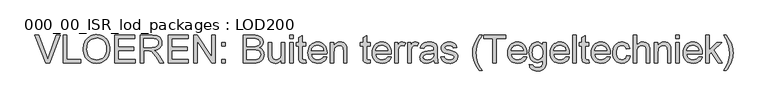
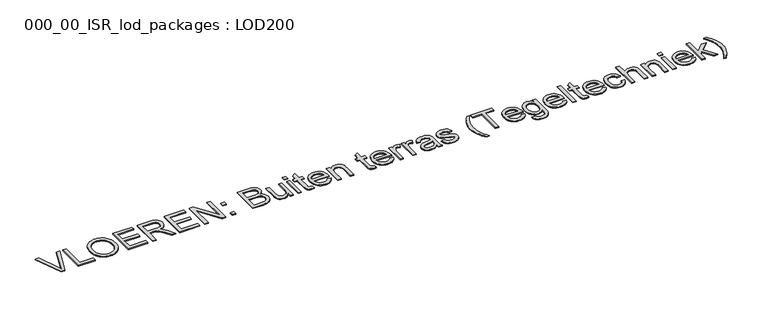
"""IFC4 building model written with IfcOpenShell, lengths in millimetres: proxy geometry, 000_00_ISR_lod_packages : LOD200."""

import ifcopenshell
import ifcopenshell.guid

model = None  # the IFC model being written
_history = None  # IfcOwnerHistory: only IFC2X3 demands one
_inside = {}  # id of a spatial element -> (the spatial element, [elements in it])
_under = {}  # id of a project, library or spatial element -> (it, [spatial elements below it])
_declared = {}  # id of a project -> (the project, [libraries it declares])
_typed = {}  # id of a type object -> (the type object, [elements of that type])
_made_of = {}  # id of a material, layer set ... -> (it, [elements and type objects made of it])


def new_model(schema):
    """Start an empty IFC model of exactly this schema.

    Asked for "IFC4X3", IfcOpenShell would pick the latest addendum, in which some entities
    have other attributes; the version numbers below select the first issue.
    IFC2X3 requires an IfcOwnerHistory on every rooted entity: one is made here for all.
    """
    global model, _history
    if schema == "IFC4X3":
        model = ifcopenshell.file(schema_version=(4, 3, 0, 0))
    else:
        model = ifcopenshell.file(schema=schema)
    _inside.clear()
    _under.clear()
    _declared.clear()
    _typed.clear()
    _made_of.clear()
    _history = None
    if model.schema == "IFC2X3":
        org = make("IfcOrganization", Name="unknown")
        user = make(
            "IfcPersonAndOrganization",
            ThePerson=make("IfcPerson", FamilyName="unknown"),
            TheOrganization=org,
        )
        app = make(
            "IfcApplication",
            ApplicationDeveloper=org,
            Version="unknown",
            ApplicationFullName="unknown",
            ApplicationIdentifier="unknown",
        )
        _history = make(
            "IfcOwnerHistory",
            OwningUser=user,
            OwningApplication=app,
            ChangeAction="ADDED",
            CreationDate=0,
        )
    return model


def make(cls, **values):
    """One entity of the class cls with the attributes given. An attribute that is None is left unset."""
    return model.create_entity(
        cls, **{name: value for name, value in values.items() if value is not None}
    )


def rooted(cls, **values):
    """An entity with a GlobalId (a new one), such as an element, a storey or a relation."""
    return make(cls, GlobalId=ifcopenshell.guid.new(), OwnerHistory=_history, **values)


def si_unit(unit_type, name, prefix=None):
    """IfcSIUnit, for example si_unit("LENGTHUNIT", "METRE", prefix="MILLI")."""
    return make("IfcSIUnit", UnitType=unit_type, Prefix=prefix, Name=name)


def assignment(units):
    """IfcUnitAssignment: the units of a project."""
    return None if units is None else make("IfcUnitAssignment", Units=units)


def point(xyz):
    """IfcCartesianPoint."""
    return None if xyz is None else make("IfcCartesianPoint", Coordinates=xyz)


def direction(xyz):
    """IfcDirection."""
    return None if xyz is None else make("IfcDirection", DirectionRatios=xyz)


def frame(location, z_axis=None, x_axis=None):
    """IfcAxis2Placement3D, a coordinate frame: its origin and axes. An axis left out is left unset."""
    return make(
        "IfcAxis2Placement3D",
        Location=point(location),
        Axis=direction(z_axis),
        RefDirection=direction(x_axis),
    )


def origin():
    """The frame at (0, 0, 0) with its axes left unset."""
    return frame((0.0, 0.0, 0.0))


def origin_with_axes():
    """The frame at (0, 0, 0) with the z axis (0, 0, 1) and the x axis (1, 0, 0) written out."""
    return frame((0.0, 0.0, 0.0), z_axis=(0.0, 0.0, 1.0), x_axis=(1.0, 0.0, 0.0))


def place(relative_to, where):
    """IfcLocalPlacement: puts the frame where relative to a parent placement (None: the world)."""
    return make(
        "IfcLocalPlacement", PlacementRelTo=relative_to, RelativePlacement=where
    )


def context(
    kind, dimensions, precision=None, world=None, true_north=None, identifier=None
):
    """IfcGeometricRepresentationContext, for example the 3D "Model" context."""
    return make(
        "IfcGeometricRepresentationContext",
        ContextIdentifier=identifier,
        ContextType=kind,
        CoordinateSpaceDimension=dimensions,
        Precision=precision,
        WorldCoordinateSystem=world,
        TrueNorth=true_north,
    )


def project(units=None, contexts=None):
    """IfcProject with its units and contexts."""
    return rooted(
        "IfcProject",
        Name="project",
        RepresentationContexts=contexts,
        UnitsInContext=assignment(units),
    )


def spatial(cls, under=None, at=None, **own):
    """A site, building, storey or space (cls), placed at a placement, below another one or the project."""
    s = rooted(cls, ObjectPlacement=at, **own)
    if under is not None:
        _under.setdefault(under.id(), (under, []))[1].append(s)
    return s


def polyline(points):
    """IfcPolyline through the points."""
    return make("IfcPolyline", Points=[point(p) for p in points])


def outline(outer, holes=None, kind="AREA"):
    """IfcArbitraryClosedProfileDef: a profile drawn as a closed curve; with holes, ...WithVoids."""
    if holes is None:
        return make("IfcArbitraryClosedProfileDef", ProfileType=kind, OuterCurve=outer)
    return make(
        "IfcArbitraryProfileDefWithVoids",
        ProfileType=kind,
        OuterCurve=outer,
        InnerCurves=holes,
    )


def extrude(swept, where, along, depth):
    """IfcExtrudedAreaSolid: the profile swept, set in the frame where, extruded along a direction by depth."""
    return make(
        "IfcExtrudedAreaSolid",
        SweptArea=swept,
        Position=where,
        ExtrudedDirection=direction(along),
        Depth=depth,
    )


def shape(context_of_items, identifier, shape_type, items):
    """IfcShapeRepresentation: the items that make up one representation, for example the "Body"."""
    return make(
        "IfcShapeRepresentation",
        ContextOfItems=context_of_items,
        RepresentationIdentifier=identifier,
        RepresentationType=shape_type,
        Items=items,
    )


def source(mapping_origin, context_of_items, identifier, shape_type, items):
    """IfcRepresentationMap: a shape defined once, which mapped items show again and again."""
    return make(
        "IfcRepresentationMap",
        MappingOrigin=mapping_origin,
        MappedRepresentation=shape(context_of_items, identifier, shape_type, items),
    )


def transform(
    local_origin,
    x_axis=None,
    y_axis=None,
    z_axis=None,
    scale=None,
    scale2=None,
    scale3=None,
    uniform=True,
):
    """IfcCartesianTransformationOperator3D, or its non-uniform kind. x_axis, y_axis, z_axis: its Axis1, 2, 3."""
    if uniform:
        return make(
            "IfcCartesianTransformationOperator3D",
            Axis1=direction(x_axis),
            Axis2=direction(y_axis),
            LocalOrigin=point(local_origin),
            Scale=scale,
            Axis3=direction(z_axis),
        )
    return make(
        "IfcCartesianTransformationOperator3DnonUniform",
        Axis1=direction(x_axis),
        Axis2=direction(y_axis),
        LocalOrigin=point(local_origin),
        Scale=scale,
        Axis3=direction(z_axis),
        Scale2=scale2,
        Scale3=scale3,
    )


def mapped(mapping_source, mapping_target):
    """IfcMappedItem: shows the shape of a source again, moved by a transform."""
    return make(
        "IfcMappedItem", MappingSource=mapping_source, MappingTarget=mapping_target
    )


def made_of(thing, what):
    """Note that an element or type object is made of a material, layer set ...; save() writes the relation."""
    if what is not None:
        _made_of.setdefault(what.id(), (what, []))[1].append(thing)
    return thing


def element(
    cls,
    number,
    at=None,
    inside=None,
    cuts=None,
    type_object=None,
    material=None,
    context=None,
    identifier="Body",
    shape_type=None,
    held_by="IfcProductDefinitionShape",
    body=None,
    shapes=None,
    **own,
):
    """One element of the class cls, such as IfcWall. Its Tag is "e" and its number.

    at: its placement. inside: the storey or other place that contains it. cuts: it is an
    opening in that element (IfcRelVoidsElement). A single representation is given by context,
    identifier, shape_type and body (its items); several are given by shapes. held_by: the class
    of the entity that holds the representations. save() writes the other relations.
    """
    e = rooted(cls, Tag="e%d" % number, ObjectPlacement=at, **own)
    if body is not None:
        shapes = [shape(context, identifier, shape_type, body)]
    if shapes is not None:
        e.Representation = make(held_by, Representations=shapes)
    if inside is not None:
        _inside.setdefault(inside.id(), (inside, []))[1].append(e)
    if cuts is not None:
        rooted(
            "IfcRelVoidsElement", RelatingBuildingElement=cuts, RelatedOpeningElement=e
        )
    if type_object is not None:
        _typed.setdefault(type_object.id(), (type_object, []))[1].append(e)
    return made_of(e, material)


def aggregate(whole, parts):
    """IfcRelAggregates: a whole, such as a stair, and the parts it consists of."""
    return rooted("IfcRelAggregates", RelatingObject=whole, RelatedObjects=parts)


def save(model, path):
    """Write the relations noted so far, then the file.

    IfcRelAggregates (storeys below a building ...), IfcRelContainedInSpatialStructure (elements
    in a storey), IfcRelDefinesByType, IfcRelAssociatesMaterial and IfcRelDeclares: one each for
    every whole, place, type object, material and project.
    """
    for whole, parts in _under.values():
        aggregate(whole, parts)
    for where, things in _inside.values():
        rooted(
            "IfcRelContainedInSpatialStructure",
            RelatedElements=things,
            RelatingStructure=where,
        )
    for kind, things in _typed.values():
        rooted("IfcRelDefinesByType", RelatedObjects=things, RelatingType=kind)
    for what, things in _made_of.values():
        rooted("IfcRelAssociatesMaterial", RelatedObjects=things, RelatingMaterial=what)
    for by, libraries in _declared.values():
        rooted("IfcRelDeclares", RelatingContext=by, RelatedDefinitions=libraries)
    model.write(path)


def proxy_000_00_isr_lod_packages_lod200_27f19acf(model_context):
    return source(origin(), model_context, "Body", "SweptSolid", [
        extrude(outline(polyline([(823.5806792, 500.0), (505.4645712, 1299.3886983), (612.4140357, 1299.3886983), (825.3371485, 723.4619286), (868.4682281, 593.6783631), (911.013818, 723.4619286), (1124.5224206, 1299.3886983), (1231.4718851, 1299.3886983), (926.8220418, 500.0), (823.5806792, 500.0)])), origin_with_axes(), (0.0, 0.0, 1.0), 25.0),
        extrude(outline(polyline([(1324.3695952, 500.0), (1324.3695952, 1299.3886983), (1424.2931825, 1299.3886983), (1424.2931825, 599.9235873), (1823.9875316, 599.9235873), (1823.9875316, 500.0), (1324.3695952, 500.0)])), origin_with_axes(), (0.0, 0.0, 1.0), 25.0),
        extrude(outline(polyline([(1898.9302221, 889.1555333), (1900.5952086, 937.3822036), (1905.5901682, 982.9192803), (1913.9151009, 1025.7667634), (1925.5700066, 1065.9246528), (1940.5548854, 1103.3929486), (1958.8697372, 1138.1716508), (1980.5145621, 1170.2607594), (2005.4893601, 1199.6602743), (2033.0958126, 1225.9615725), (2062.6356011, 1248.756031), (2094.1087257, 1268.0436497), (2127.5151862, 1283.8244286), (2162.8549827, 1296.0983678), (2200.1281153, 1304.8654672), (2239.3345839, 1310.1257269), (2280.4743884, 1311.8791468), (2334.2540633, 1308.5857668), (2385.3258479, 1298.7056269), (2433.6897424, 1282.2387272), (2479.3457467, 1259.1850675), (2521.013102, 1230.239917), (2557.4110493, 1196.0985449), (2588.5395887, 1156.760951), (2614.3987202, 1112.2271354), (2634.7200943, 1063.5095075), (2649.2353614, 1011.6204767), (2657.9445218, 956.560043), (2660.8475752, 898.3282064), (2657.7920505, 839.3279144), (2648.6254763, 783.5234208), (2633.3478526, 730.9147255), (2611.9591795, 681.5018285), (2584.9656616, 636.5898841), (2552.8735036, 597.4840466), (2515.6827055, 564.184316), (2473.3932674, 536.6906922), (2427.6701757, 515.1739432), (2380.1784171, 499.8048367), (2330.9179914, 490.5833729), (2279.8888987, 487.5095516), (2225.1700006, 490.906612), (2173.4273423, 501.0977933), (2124.6609236, 518.0830955), (2078.8707445, 541.8625185), (2037.2521801, 571.5151358), (2001.0006052, 606.1200207), (1970.1160199, 645.6771732), (1944.5984241, 690.1865934), (1924.6185857, 737.8613176), (1910.3472726, 786.9143824), (1901.7844847, 837.3457876), (1898.9302221, 889.1555333)]), holes=[polyline([(1998.8538094, 888.179717), (2003.848769, 821.9339892), (2018.8336478, 763.1288605), (2043.8084457, 711.7643309), (2078.7731629, 667.8404005), (2121.2760608, 632.6622236), (2168.8654011, 607.5349543), (2221.5411838, 592.4585927), (2279.3034089, 587.4331389), (2338.0536479, 592.5073835), (2391.3515135, 607.7301175), (2439.1970056, 633.1013409), (2481.5901242, 668.6210536), (2500.1839985, 689.9822819), (2516.2986896, 713.4720094), (2541.090522, 766.8369624), (2555.9656214, 828.7159123), (2560.9239879, 899.1088594), (2558.8015875, 944.8380499), (2552.4343863, 987.5666054), (2541.8223842, 1027.2945258), (2526.9655813, 1064.0218111), (2508.0286466, 1097.266652), (2485.176249, 1126.5472394), (2458.4083886, 1151.863573), (2427.7250654, 1173.2156531), (2394.0777002, 1190.1643621), (2358.417714, 1202.2705829), (2320.7451066, 1209.5343153), (2281.0598782, 1211.9555595), (2225.3041754, 1207.2899379), (2173.5737147, 1193.2930731), (2125.8684962, 1169.9649651), (2082.1885199, 1137.3056139), (2062.6569471, 1117.0833461), (2045.729584, 1093.7415157), (2031.4064307, 1067.2801226), (2019.687487, 1037.6991669), (2010.5727531, 1004.9986484), (2004.0622288, 969.1785673), (1998.8538094, 888.179717)])]), origin_with_axes(), (0.0, 0.0, 1.0), 25.0),
        extrude(outline(polyline([(2798.2425077, 500.0), (2798.2425077, 1299.3886983), (3372.8031347, 1299.3886983), (3372.8031347, 1199.465111), (2898.166095, 1199.465111), (2898.166095, 962.1465912), (3347.8222378, 962.1465912), (3347.8222378, 862.2230039), (2898.166095, 862.2230039), (2898.166095, 599.9235873), (3385.2935831, 599.9235873), (3385.2935831, 500.0), (2798.2425077, 500.0)])), origin_with_axes(), (0.0, 0.0, 1.0), 25.0),
        extrude(outline(polyline([(3535.178964, 500.0), (3535.178964, 1299.3886983), (3879.6421116, 1299.3886983), (3972.2226814, 1293.9973134), (4009.0536472, 1287.2580822), (4039.5784003, 1277.8231585), (4065.5717065, 1264.966779), (4088.8083317, 1247.9631803), (4109.2882759, 1226.8123624), (4127.0115391, 1201.5143252), (4141.3133465, 1173.4291129), (4151.5289232, 1143.9167692), (4157.6582693, 1112.9772942), (4159.7013846, 1080.6106879), (4156.3165219, 1039.5532178), (4146.1619337, 1001.8623139), (4129.23762, 967.5379762), (4105.5435809, 936.5802046), (4074.7748738, 909.9770132), (4036.626556, 888.716416), (3991.0986276, 872.7984129), (3938.1910885, 862.2230039), (3971.1248881, 840.7062549), (3994.9835962, 819.4822508), (4035.9190892, 770.9353907), (4075.9763476, 716.6312146), (4209.2728517, 500.0), (4093.1507142, 500.0), (3989.1286985, 665.6936047), (3913.9908448, 775.3753548), (3886.0581037, 807.3577335), (3861.1991839, 827.1911994), (3837.6576161, 838.8278086), (3813.6769309, 846.2196169), (3755.7134438, 849.7325555), (3635.1025513, 849.7325555), (3635.1025513, 500.0), (3535.178964, 500.0)]), holes=[polyline([(3635.1025513, 949.6561428), (3858.7596432, 949.6561428), (3922.99275, 953.1934768), (3972.8325666, 963.8054789), (4010.3527026, 982.1996158), (4025.270494, 994.5802849), (4037.6267677, 1009.0833544), (4054.2400399, 1041.602432), (4059.7777973, 1076.902586), (4057.1369945, 1102.4567749), (4049.2145861, 1125.6446093), (4036.010572, 1146.4660892), (4017.5249523, 1164.9212147), (3993.3308073, 1180.0341693), (3963.0012175, 1190.829137), (3926.5361828, 1197.3061175), (3883.9357033, 1199.465111), (3635.1025513, 1199.465111), (3635.1025513, 949.6561428)])]), origin_with_axes(), (0.0, 0.0, 1.0), 25.0),
        extrude(outline(polyline([(4334.5676624, 500.0), (4334.5676624, 1299.3886983), (4909.1282893, 1299.3886983), (4909.1282893, 1199.465111), (4434.4912497, 1199.465111), (4434.4912497, 962.1465912), (4884.1473925, 962.1465912), (4884.1473925, 862.2230039), (4434.4912497, 862.2230039), (4434.4912497, 599.9235873), (4921.6187377, 599.9235873), (4921.6187377, 500.0), (4334.5676624, 500.0)])), origin_with_axes(), (0.0, 0.0, 1.0), 25.0),
        extrude(outline(polyline([(5071.5041186, 500.0), (5071.5041186, 1299.3886983), (5178.4535832, 1299.3886983), (5596.1029519, 666.0839312), (5596.1029519, 1299.3886983), (5696.0265392, 1299.3886983), (5696.0265392, 500.0), (5589.0770747, 500.0), (5171.4277059, 1133.4999304), (5171.4277059, 500.0), (5071.5041186, 500.0)])), origin_with_axes(), (0.0, 0.0, 1.0), 25.0),
        extrude(outline(polyline([(5883.3832654, 500.0), (5883.3832654, 599.9235873), (5983.3068527, 599.9235873), (5983.3068527, 500.0), (5883.3832654, 500.0)])), origin_with_axes(), (0.0, 0.0, 1.0), 25.0),
        extrude(outline(polyline([(5883.3832654, 987.1274881), (5883.3832654, 1087.0510753), (5983.3068527, 1087.0510753), (5983.3068527, 987.1274881), (5883.3832654, 987.1274881)])), origin_with_axes(), (0.0, 0.0, 1.0), 25.0),
        extrude(outline(polyline([(6495.4152376, 500.0), (6495.4152376, 1299.3886983), (6800.4554074, 1299.3886983), (6844.7025769, 1297.9188751), (6884.3512122, 1293.5094052), (6919.4013133, 1286.1602889), (6949.8528802, 1275.8715259), (6976.480467, 1262.5333371), (7000.0586279, 1246.0359431), (7020.5873629, 1226.3793439), (7038.0666721, 1203.5635394), (7052.0269438, 1178.8753875), (7061.9985664, 1153.6017458), (7067.98154, 1127.7426143), (7069.9758645, 1101.2979931), (7068.2986803, 1076.8720918), (7063.2671276, 1053.1658549), (7054.8812064, 1030.1792827), (7043.1409167, 1007.9123749), (7028.0096655, 987.0604007), (7009.4508596, 968.3186292), (6987.464499, 951.6870605), (6962.0505837, 937.1656944), (6992.2094057, 924.3093149), (7018.6723235, 907.5984611), (7041.4393371, 887.0331329), (7060.5104466, 862.6133304), (7075.5807093, 835.0831136), (7086.3451826, 805.1865422), (7092.8038666, 772.9236164), (7094.9567613, 738.2943361), (7089.0774682, 682.550831), (7071.4395889, 630.8569634), (7045.1169447, 586.8964399), (7013.1833569, 554.3529669), (6974.0775194, 530.7870037), (6926.2381261, 513.7590096), (6868.1038711, 503.4397524), (6798.1134483, 500.0), (6495.4152376, 500.0)]), holes=[polyline([(6595.3388249, 974.6370396), (6777.8164696, 974.6370396), (6841.6348545, 976.7838355), (6884.3756076, 983.2242229), (6921.676185, 998.032235), (6948.4867374, 1020.20766), (6964.6608922, 1049.4089623), (6970.0522772, 1085.294606), (6965.0268234, 1120.1312473), (6949.9504618, 1150.4791337), (6925.5062639, 1174.1670739), (6892.3773011, 1189.0238768), (6841.5372728, 1196.8548025), (6763.9598784, 1199.465111), (6595.3388249, 1199.465111), (6595.3388249, 974.6370396)]), polyline([(6595.3388249, 599.9235873), (6800.2602441, 599.9235873), (6874.4222816, 603.8268524), (6908.8442009, 612.4872219), (6937.1672685, 625.5875555), (6960.1965328, 644.3476235), (6978.7370421, 669.9871964), (6990.9591411, 701.3596898), (6995.033174, 737.3185198), (6990.2516742, 779.0834567), (6975.9071749, 814.9934959), (6964.8621544, 830.2589218), (6950.8530919, 843.0726094), (6933.8799874, 853.4345585), (6913.942841, 861.3447693), (6861.6634837, 871.3712816), (6790.5020813, 874.7134523), (6595.3388249, 874.7134523), (6595.3388249, 599.9235873)])]), origin_with_axes(), (0.0, 0.0, 1.0), 25.0),
        extrude(outline(polyline([(7594.5746978, 500.0), (7594.5746978, 600.8994036), (7577.2417611, 574.323657), (7558.4207045, 551.2913433), (7538.1115282, 531.8024625), (7516.314232, 515.8570146), (7493.0288159, 503.4549995), (7468.2552801, 494.5964173), (7441.9936244, 489.281268), (7414.2438488, 487.5095516), (7365.5750118, 492.4862146), (7320.2727409, 507.4162037), (7282.2646967, 529.8599782), (7255.4785397, 557.3779974), (7237.4503339, 590.7997051), (7225.7161431, 630.9545451), (7221.3249699, 668.8162168), (7219.8612454, 723.8522551), (7219.8612454, 1087.0510753), (7319.7848327, 1087.0510753), (7319.7848327, 770.8865999), (7321.297348, 707.6537048), (7325.8348937, 669.0113801), (7331.8178673, 651.0014708), (7340.3989517, 635.028578), (7351.578147, 621.0927018), (7365.3554531, 609.193842), (7381.3161482, 599.6735344), (7399.0455102, 592.8733147), (7439.8102354, 587.4331389), (7482.9169197, 592.9952917), (7523.2425276, 609.6817501), (7541.2890299, 621.8123663), (7556.4934674, 635.9556035), (7568.8558399, 652.1114618), (7578.3761475, 670.2799412), (7590.5250602, 717.2898906), (7594.5746978, 781.620579), (7594.5746978, 1087.0510753), (7694.4982851, 1087.0510753), (7694.4982851, 500.0), (7594.5746978, 500.0)])), origin_with_axes(), (0.0, 0.0, 1.0), 25.0),
        extrude(outline(polyline([(7831.8932176, 500.0), (7831.8932176, 1087.0510753), (7931.8168049, 1087.0510753), (7931.8168049, 500.0), (7831.8932176, 500.0)])), origin_with_axes(), (0.0, 0.0, 1.0), 25.0),
        extrude(outline(polyline([(7831.8932176, 1199.465111), (7831.8932176, 1299.3886983), (7931.8168049, 1299.3886983), (7931.8168049, 1199.465111), (7831.8932176, 1199.465111)])), origin_with_axes(), (0.0, 0.0, 1.0), 25.0),
        extrude(outline(polyline([(8294.0398088, 583.3347105), (8306.5302572, 497.0725512), (8266.960907, 489.9003015), (8231.78273, 487.5095516), (8183.8213598, 491.6567708), (8148.057693, 504.0984284), (8122.7840513, 523.2732183), (8106.2927561, 547.6198346), (8097.2176647, 589.4335623), (8094.1926342, 661.0096866), (8094.1926342, 987.1274881), (8019.2499438, 987.1274881), (8019.2499438, 1087.0510753), (8094.1926342, 1087.0510753), (8094.1926342, 1229.7154158), (8194.1162215, 1288.459556), (8194.1162215, 1087.0510753), (8294.0398088, 1087.0510753), (8294.0398088, 987.1274881), (8194.1162215, 987.1274881), (8194.1162215, 663.9371354), (8195.4335735, 631.0521267), (8199.3856295, 612.4140357), (8206.2895297, 602.0947785), (8216.4624144, 594.1662712), (8230.8801, 589.116422), (8250.5184027, 587.4331389), (8294.0398088, 583.3347105)])), origin_with_axes(), (0.0, 0.0, 1.0), 25.0),
        extrude(outline(polyline([(8804.9772142, 674.8662778), (8902.9491689, 662.3758294), (8887.927697, 623.1358171), (8867.6490149, 588.5553276), (8842.1131226, 558.6343609), (8811.32002, 533.3729168), (8775.5868475, 513.3076945), (8735.2307454, 498.9753929), (8690.2517136, 490.3760119), (8640.6497523, 487.5095516), (8578.6488252, 492.4557204), (8523.405426, 507.2942267), (8474.9195544, 532.0250706), (8433.1912107, 566.6482521), (8399.6353283, 610.2001525), (8375.6668408, 661.7171534), (8361.2857484, 721.1992546), (8356.4920509, 788.6464563), (8361.3345392, 858.3807273), (8375.8620041, 919.8449554), (8400.0744456, 973.0391405), (8415.8125326, 996.5349669), (8433.9718637, 1017.9632826), (8475.5904281, 1053.6537631), (8522.9663086, 1079.1469635), (8576.0995052, 1094.4428837), (8634.9900178, 1099.5415238), (8691.9837875, 1094.4550814), (8743.5251838, 1079.1957543), (8789.6142066, 1053.7635424), (8830.2508559, 1018.1584458), (8863.4225106, 973.3318854), (8887.1165497, 920.2352819), (8901.3329732, 858.8686355), (8906.071781, 789.231946), (8905.4862912, 762.2994166), (8456.4156382, 762.2994166), (8462.2034485, 722.4251238), (8473.7119818, 687.5030986), (8490.941238, 657.5333411), (8513.8912172, 632.5158511), (8541.2933582, 612.7921645), (8571.8790998, 598.7038169), (8605.648442, 590.2508084), (8642.6013848, 587.4331389), (8695.7833722, 592.653756), (8740.5733395, 608.3156073), (8759.8213157, 620.3059499), (8776.9712869, 635.3945091), (8792.023253, 653.5812851), (8804.9772142, 674.8662778)]), holes=[polyline([(8456.4156382, 862.2230039), (8806.1481937, 862.2230039), (8801.0129605, 890.4972807), (8792.6331382, 915.0146648), (8781.0087267, 935.7751562), (8766.1397261, 952.7787549), (8738.8900565, 973.2708968), (8707.8834941, 987.9081411), (8673.120039, 996.6904876), (8634.5996913, 999.6179365), (8599.4642063, 997.2820762), (8567.2439724, 990.2744956), (8537.9389897, 978.5951944), (8511.5492581, 962.2441729), (8489.4043274, 941.9776884), (8472.8337471, 918.5519988), (8461.8375174, 891.967104), (8456.4156382, 862.2230039)])]), origin_with_axes(), (0.0, 0.0, 1.0), 25.0),
        extrude(outline(polyline([(9005.9953683, 500.0), (9005.9953683, 1087.0510753), (9105.9189556, 1087.0510753), (9105.9189556, 1005.0825076), (9122.4041519, 1027.2213395), (9140.6336198, 1046.4083272), (9160.6073594, 1062.6434706), (9182.3253705, 1075.9267697), (9205.7876532, 1086.2582246), (9230.9942076, 1093.6378352), (9286.640131, 1099.5415238), (9335.8944579, 1094.7844194), (9381.0015655, 1080.5131063), (9418.6192832, 1058.5084491), (9445.4054402, 1030.5513126), (9463.5800184, 996.714883), (9475.363, 957.0723466), (9479.315056, 919.161884), (9480.6324079, 860.4665346), (9480.6324079, 500.0), (9380.7088206, 500.0), (9380.7088206, 847.0002699), (9377.8301626, 898.6697421), (9369.1941885, 935.4092251), (9353.2639877, 961.7318693), (9328.5026495, 982.150825), (9296.764225, 995.2511586), (9259.9027649, 999.6179365), (9229.5609774, 997.1661981), (9201.3781834, 989.8109828), (9175.3543829, 977.5522908), (9151.489576, 960.3901219), (9131.5524296, 936.3728437), (9117.3116107, 903.5488235), (9108.7671194, 861.9180613), (9105.9189556, 811.4805573), (9105.9189556, 500.0), (9005.9953683, 500.0)])), origin_with_axes(), (0.0, 0.0, 1.0), 25.0),
        extrude(outline(polyline([(10142.6261738, 583.3347105), (10155.1166222, 497.0725512), (10115.5472719, 489.9003015), (10080.3690949, 487.5095516), (10032.4077247, 491.6567708), (9996.6440579, 504.0984284), (9971.3704162, 523.2732183), (9954.8791211, 547.6198346), (9945.8040296, 589.4335623), (9942.7789992, 661.0096866), (9942.7789992, 987.1274881), (9867.8363087, 987.1274881), (9867.8363087, 1087.0510753), (9942.7789992, 1087.0510753), (9942.7789992, 1229.7154158), (10042.7025865, 1288.459556), (10042.7025865, 1087.0510753), (10142.6261738, 1087.0510753), (10142.6261738, 987.1274881), (10042.7025865, 987.1274881), (10042.7025865, 663.9371354), (10044.0199384, 631.0521267), (10047.9719944, 612.4140357), (10054.8758946, 602.0947785), (10065.0487793, 594.1662712), (10079.4664649, 589.116422), (10099.1047676, 587.4331389), (10142.6261738, 583.3347105)])), origin_with_axes(), (0.0, 0.0, 1.0), 25.0),
        extrude(outline(polyline([(10653.5635791, 674.8662778), (10751.5355338, 662.3758294), (10736.5140619, 623.1358171), (10716.2353798, 588.5553276), (10690.6994875, 558.6343609), (10659.9063849, 533.3729168), (10624.1732124, 513.3076945), (10583.8171103, 498.9753929), (10538.8380786, 490.3760119), (10489.2361172, 487.5095516), (10427.2351901, 492.4557204), (10371.9917909, 507.2942267), (10323.5059194, 532.0250706), (10281.7775756, 566.6482521), (10248.2216932, 610.2001525), (10224.2532058, 661.7171534), (10209.8721133, 721.1992546), (10205.0784158, 788.6464563), (10209.9209041, 858.3807273), (10224.448369, 919.8449554), (10248.6608105, 973.0391405), (10264.3988975, 996.5349669), (10282.5582286, 1017.9632826), (10324.176793, 1053.6537631), (10371.5526735, 1079.1469635), (10424.6858701, 1094.4428837), (10483.5763827, 1099.5415238), (10540.5701525, 1094.4550814), (10592.1115487, 1079.1957543), (10638.2005715, 1053.7635424), (10678.8372208, 1018.1584458), (10712.0088755, 973.3318854), (10735.7029146, 920.2352819), (10749.9193381, 858.8686355), (10754.6581459, 789.231946), (10754.0726561, 762.2994166), (10305.0020031, 762.2994166), (10310.7898134, 722.4251238), (10322.2983467, 687.5030986), (10339.5276029, 657.5333411), (10362.4775821, 632.5158511), (10389.8797231, 612.7921645), (10420.4654647, 598.7038169), (10454.2348069, 590.2508084), (10491.1877497, 587.4331389), (10544.3697371, 592.653756), (10589.1597045, 608.3156073), (10608.4076806, 620.3059499), (10625.5576518, 635.3945091), (10640.6096179, 653.5812851), (10653.5635791, 674.8662778)]), holes=[polyline([(10305.0020031, 862.2230039), (10654.7345586, 862.2230039), (10649.5993254, 890.4972807), (10641.2195031, 915.0146648), (10629.5950917, 935.7751562), (10614.7260911, 952.7787549), (10587.4764214, 973.2708968), (10556.469859, 987.9081411), (10521.706404, 996.6904876), (10483.1860562, 999.6179365), (10448.0505712, 997.2820762), (10415.8303373, 990.2744956), (10386.5253546, 978.5951944), (10360.135623, 962.2441729), (10337.9906923, 941.9776884), (10321.420112, 918.5519988), (10310.4238823, 891.967104), (10305.0020031, 862.2230039)])]), origin_with_axes(), (0.0, 0.0, 1.0), 25.0),
        extrude(outline(polyline([(10854.5817332, 500.0), (10854.5817332, 1087.0510753), (10942.0148721, 1087.0510753), (10942.0148721, 1000.2034262), (10974.314391, 1050.5555464), (10989.5127296, 1067.973867), (11004.0767876, 1080.2203614), (11033.9367659, 1094.7112332), (11066.5290297, 1099.5415238), (11091.3147633, 1097.6142866), (11116.2956601, 1091.8325751), (11141.4717202, 1082.1963893), (11166.8429435, 1068.7057292), (11133.4700267, 979.1257945), (11098.3406405, 994.494901), (11063.2112543, 999.6179365), (11033.3756715, 994.6900642), (11006.7114916, 979.9064476), (10985.1703472, 956.3892752), (10970.7038708, 925.2607358), (10958.5549581, 869.4440444), (10954.5053205, 808.5531084), (10954.5053205, 500.0), (10854.5817332, 500.0)])), origin_with_axes(), (0.0, 0.0, 1.0), 25.0),
        extrude(outline(polyline([(11229.2951856, 500.0), (11229.2951856, 1087.0510753), (11316.7283244, 1087.0510753), (11316.7283244, 1000.2034262), (11349.0278434, 1050.5555464), (11364.226182, 1067.973867), (11378.79024, 1080.2203614), (11408.6502182, 1094.7112332), (11441.242482, 1099.5415238), (11466.0282156, 1097.6142866), (11491.0091124, 1091.8325751), (11516.1851725, 1082.1963893), (11541.5563958, 1068.7057292), (11508.183479, 979.1257945), (11473.0540928, 994.494901), (11437.9247067, 999.6179365), (11408.0891239, 994.6900642), (11381.4249439, 979.9064476), (11359.8837995, 956.3892752), (11345.4173231, 925.2607358), (11333.2684104, 869.4440444), (11329.2187729, 808.5531084), (11329.2187729, 500.0), (11229.2951856, 500.0)])), origin_with_axes(), (0.0, 0.0, 1.0), 25.0),
        extrude(outline(polyline([(11978.7220903, 574.9426905), (11930.9802787, 534.0071974), (11906.5787727, 518.8454519), (11881.8235334, 507.2210405), (11830.1296659, 492.4374238), (11774.7764873, 487.5095516), (11730.2853637, 490.4735935), (11691.2710089, 499.3657194), (11657.7334231, 514.1859292), (11629.6726061, 534.9342229), (11607.5154777, 560.2932485), (11591.6889573, 588.9456541), (11582.1930451, 620.8914397), (11579.0277411, 656.1306051), (11583.8092409, 697.5540063), (11598.1537402, 735.171724), (11620.2803744, 767.3736613), (11648.4082787, 792.5497214), (11681.4640553, 811.5781389), (11718.3743062, 825.3371485), (11804.8316288, 840.3647192), (11906.9995935, 856.172943), (11978.1366005, 874.7134523), (11978.7220903, 896.9620636), (11977.0022141, 921.1867028), (11971.8425855, 941.5568677), (11963.2432045, 958.0725583), (11951.2040711, 970.7337745), (11930.3947889, 983.3705954), (11905.047961, 992.396896), (11875.1635873, 997.8126763), (11840.741668, 999.6179365), (11781.2168747, 994.8120413), (11758.1876105, 988.8046723), (11739.6471011, 980.3943557), (11724.4121694, 968.9224155), (11711.2996381, 953.7301758), (11700.3095073, 934.8176365), (11691.4417768, 912.1847976), (11591.5181895, 924.675246), (11608.8633239, 979.3209578), (11620.7377883, 1002.2526404), (11634.7468508, 1022.2568742), (11651.4942977, 1039.7361834), (11671.5839154, 1055.0930921), (11695.0157039, 1068.3276004), (11721.7896632, 1079.4397083), (11783.1929027, 1094.5160699), (11853.6224429, 1099.5415238), (11921.173325, 1095.1015597), (11974.7212435, 1081.7816674), (12015.0956422, 1061.7530382), (12043.1259649, 1037.1868633), (12061.7152651, 1006.8145815), (12073.7665961, 969.3676317), (12077.4259072, 934.8237353), (12078.6456775, 881.9344928), (12078.6456775, 757.6154985), (12079.9142387, 649.3242866), (12083.7199222, 584.0177819), (12091.2337076, 541.1062609), (12103.6265744, 500.0), (12003.7029871, 500.0), (11987.6996001, 534.7390596), (11978.7220903, 574.9426905)]), holes=[polyline([(11978.7220903, 774.7898651), (11911.58593, 758.1521974), (11817.5172404, 744.1492338), (11765.6770005, 736.489076), (11731.547826, 727.9506835), (11709.1772377, 716.8751687), (11692.6127563, 701.6036439), (11682.3666854, 683.3070886), (11678.9513284, 663.1564824), (11680.8114782, 647.6288058), (11686.3919275, 633.4428766), (11695.6926765, 620.5986948), (11708.713725, 609.0962603), (11725.333096, 599.6186447), (11745.4288126, 592.8489192), (11796.0492822, 587.4331389), (11849.7191778, 593.4100136), (11874.2121664, 600.881107), (11897.1438491, 611.3406378), (11935.5910106, 637.7608636), (11962.3283767, 669.2065433), (11974.1845445, 701.6036439), (11978.1366005, 746.4911929), (11978.7220903, 774.7898651)])]), origin_with_axes(), (0.0, 0.0, 1.0), 25.0),
        extrude(outline(polyline([(12178.5692648, 674.8662778), (12278.4928521, 687.3567262), (12284.5307154, 664.571416), (12294.2522851, 644.615973), (12307.6575613, 627.4903973), (12324.7465439, 613.1946887), (12345.5680238, 601.9240107), (12370.1707918, 593.8735263), (12398.5548479, 589.0432357), (12430.7201921, 587.4331389), (12462.8489432, 588.909061), (12490.5377302, 593.3368274), (12513.7865532, 600.716438), (12532.595412, 611.0478929), (12547.1106792, 623.3675735), (12557.4787272, 636.7118611), (12563.699556, 651.0807559), (12565.7731656, 666.4742577), (12563.6873583, 679.9649178), (12557.4299364, 691.9430627), (12547.0008999, 702.4086923), (12532.4002488, 711.3618067), (12494.9776943, 724.0474184), (12429.5492126, 739.8556422), (12338.359181, 766.2270772), (12279.0783419, 788.7440379), (12240.9971115, 813.3102128), (12225.8902557, 828.5756388), (12213.4059061, 845.8292904), (12196.6462615, 884.2276611), (12191.0597133, 926.4317153), (12195.5484682, 965.1472263), (12209.0147328, 1000.8864976), (12230.238737, 1032.2345957), (12258.0007102, 1057.7765869), (12285.5919156, 1073.8531601), (12321.5263502, 1087.3438202), (12363.0717284, 1096.4920979), (12407.4957646, 1099.5415238), (12472.5339198, 1094.6380469), (12529.0824734, 1079.9276165), (12574.5555121, 1056.8495614), (12592.168996, 1042.712423), (12606.3671229, 1026.8432107), (12627.4447546, 987.6885824), (12640.7158561, 937.1656944), (12540.7922688, 924.675246), (12536.0290655, 941.3678033), (12528.1798433, 956.1209257), (12517.2446021, 968.9346132), (12503.2233419, 979.8088659), (12486.0550742, 988.4753343), (12465.6788105, 994.6656688), (12415.3022949, 999.6179365), (12357.9242975, 994.8852275), (12336.4075485, 988.9693413), (12319.6722992, 980.6871006), (12298.1555502, 960.1949587), (12292.776363, 948.7779082), (12290.9833005, 936.5802046), (12293.9595402, 921.2110982), (12302.8882592, 907.5008794), (12318.159784, 895.2543851), (12340.1644412, 885.4474315), (12426.2314373, 864.1746365), (12514.5184154, 838.071551), (12572.8966245, 817.1402917), (12611.6365309, 794.6477264), (12641.008601, 763.8607227), (12651.8096674, 745.332411), (12659.5247149, 724.681699), (12664.1537434, 701.9085865), (12665.6967529, 677.0130736), (12663.8853939, 652.0077814), (12658.451317, 627.7343513), (12649.3945221, 604.1927835), (12636.7150093, 581.3830779), (12620.6201395, 560.2139635), (12601.3172737, 541.594169), (12578.8064118, 525.5236946), (12553.0875539, 512.0025403), (12524.862068, 501.2868577), (12494.8313219, 493.6327988), (12462.9953157, 489.0403634), (12429.3540494, 487.5095516), (12375.5743745, 490.4613958), (12328.6010182, 499.3169286), (12288.4339805, 514.0761499), (12255.0732614, 534.7390596), (12227.8235917, 561.2080763), (12205.9897024, 593.3856182), (12189.5715934, 631.2716854), (12178.5692648, 674.8662778)])), origin_with_axes(), (0.0, 0.0, 1.0), 25.0),
        extrude(outline(polyline([(13290.2191735, 275.1719286), (13249.8813679, 327.365902), (13212.7881515, 383.8290716), (13178.9395242, 444.5614375), (13148.335486, 509.5629996), (13122.9764604, 577.309045), (13104.8628707, 646.2748607), (13093.9947168, 716.4604468), (13090.3719989, 787.8658032), (13093.0798891, 850.6229879), (13101.2035596, 912.0384251), (13114.7430105, 972.112115), (13133.6982418, 1030.8440575), (13162.5092175, 1098.1997764), (13198.1996981, 1165.4091228), (13240.7696834, 1232.4720968), (13290.2191735, 1299.3886983), (13365.1618639, 1299.3886983), (13306.3689329, 1204.3929833), (13271.6786641, 1141.1112974), (13239.7694717, 1065.9734437), (13215.4716463, 987.7129778), (13196.5896012, 887.7405997), (13190.2955862, 787.2803135), (13193.0278718, 723.2240734), (13201.2247285, 659.180031), (13214.8861565, 595.1481864), (13234.0121556, 531.1285394), (13258.6027259, 467.1210901), (13288.6578674, 403.1258386), (13324.1775801, 339.1427847), (13365.1618639, 275.1719286), (13290.2191735, 275.1719286)])), origin_with_axes(), (0.0, 0.0, 1.0), 25.0),
        extrude(outline(polyline([(14550.5834835, 674.8662778), (14648.5554382, 662.3758294), (14633.5339663, 623.1358171), (14613.2552842, 588.5553276), (14587.7193919, 558.6343609), (14556.9262893, 533.3729168), (14521.1931169, 513.3076945), (14480.8370147, 498.9753929), (14435.857983, 490.3760119), (14386.2560216, 487.5095516), (14324.2550946, 492.4557204), (14269.0116953, 507.2942267), (14220.5258238, 532.0250706), (14178.79748, 566.6482521), (14145.2415976, 610.2001525), (14121.2731102, 661.7171534), (14106.8920177, 721.1992546), (14102.0983202, 788.6464563), (14106.9408085, 858.3807273), (14121.4682734, 919.8449554), (14145.6807149, 973.0391405), (14161.4188019, 996.5349669), (14179.578133, 1017.9632826), (14221.1966975, 1053.6537631), (14268.572578, 1079.1469635), (14321.7057745, 1094.4428837), (14380.5962872, 1099.5415238), (14437.5900569, 1094.4550814), (14489.1314531, 1079.1957543), (14535.2204759, 1053.7635424), (14575.8571252, 1018.1584458), (14609.02878, 973.3318854), (14632.7228191, 920.2352819), (14646.9392425, 858.8686355), (14651.6780503, 789.231946), (14651.0925606, 762.2994166), (14202.0219075, 762.2994166), (14207.8097178, 722.4251238), (14219.3182511, 687.5030986), (14236.5475074, 657.5333411), (14259.4974865, 632.5158511), (14286.8996275, 612.7921645), (14317.4853691, 598.7038169), (14351.2547113, 590.2508084), (14388.2076542, 587.4331389), (14441.3896415, 592.653756), (14486.1796089, 608.3156073), (14505.427585, 620.3059499), (14522.5775562, 635.3945091), (14537.6295224, 653.5812851), (14550.5834835, 674.8662778)]), holes=[polyline([(14202.0219075, 862.2230039), (14551.754463, 862.2230039), (14546.6192299, 890.4972807), (14538.2394075, 915.0146648), (14526.6149961, 935.7751562), (14511.7459955, 952.7787549), (14484.4963258, 973.2708968), (14453.4897634, 987.9081411), (14418.7263084, 996.6904876), (14380.2059606, 999.6179365), (14345.0704756, 997.2820762), (14312.8502418, 990.2744956), (14283.545259, 978.5951944), (14257.1555275, 962.2441729), (14235.0105967, 941.9776884), (14218.4400165, 918.5519988), (14207.4437867, 891.967104), (14202.0219075, 862.2230039)])]), origin_with_axes(), (0.0, 0.0, 1.0), 25.0),
        extrude(outline(polyline([(14726.6207408, 450.0382064), (14826.5443281, 437.5477579), (14830.7647335, 420.7149271), (14837.5710521, 406.3216369), (14846.9632838, 394.3678875), (14858.9414287, 384.8536787), (14878.3235796, 375.1199113), (14900.9503196, 368.1672203), (14955.9375671, 362.6050675), (14987.1392927, 364.1785712), (15014.5841257, 368.8990825), (15038.2720659, 376.7666013), (15058.2031135, 387.7811276), (15074.7919903, 401.6377188), (15088.4534182, 418.0314323), (15099.1873973, 436.9622682), (15106.9939276, 458.4302264), (15112.409708, 501.4149336), (15113.8246416, 574.9426905), (15080.5737018, 542.1552634), (15043.4682876, 518.7356726), (15002.5083992, 504.6839182), (14957.6940364, 500.0), (14902.908051, 505.4523735), (14854.6722324, 521.8094939), (14833.0106357, 534.0773342), (14812.9865806, 549.0713613), (14777.8510956, 587.2379756), (14749.9732442, 633.0281547), (14730.0604932, 683.1607162), (14718.1128426, 737.6356601), (14714.1302924, 796.4529865), (14715.917256, 837.6019394), (14721.2781467, 877.1285976), (14730.2129645, 915.0329614), (14742.7217095, 951.3150305), (14758.6153172, 984.7672324), (14777.7047232, 1014.1819945), (14799.9899275, 1039.5593167), (14825.4709302, 1060.899199), (14853.7391081, 1077.8052161), (14884.3858382, 1089.8809426), (14917.4111205, 1097.1263785), (14952.814955, 1099.5415238), (14999.5443572, 1094.0769526), (15041.9557724, 1077.683239), (15080.0492005, 1050.3603831), (15113.8246416, 1012.1083849), (15113.8246416, 1087.0510753), (15213.7482289, 1087.0510753), (15213.7482289, 580.2120984), (15212.0405504, 516.704755), (15206.9175149, 463.1873308), (15198.3791224, 419.6598257), (15186.425373, 386.1222399), (15170.7696205, 359.0738323), (15151.125219, 335.0138621), (15127.4921684, 313.9423293), (15099.8704687, 295.8592338), (15068.5406672, 281.3439666), (15033.783311, 270.9759186), (14995.5984001, 264.7550898), (14953.9859345, 262.6814802), (14905.0304514, 265.6028302), (14861.0150383, 274.3668802), (14821.939695, 288.9736301), (14787.8044217, 309.4230801), (14760.2315129, 335.7396255), (14740.8432631, 367.9476616), (14729.6396724, 406.0471886), (14726.6207408, 450.0382064)]), holes=[polyline([(14814.0538797, 803.2837005), (14816.7190779, 753.8769024), (14824.7146726, 711.6301562), (14838.0406637, 676.543462), (14856.6970512, 648.6168198), (14879.3786809, 627.3135306), (14904.7803985, 612.0968954), (14932.902204, 602.9669143), (14963.7440974, 599.9235873), (14994.2810481, 602.9486178), (15022.2686789, 612.0237092), (15047.7069896, 627.1488616), (15070.5959803, 648.3240749), (15089.5085196, 675.9762688), (15103.0174762, 710.5323629), (15111.1228502, 751.9923572), (15113.8246416, 800.3562516), (15111.0435652, 846.7014262), (15102.7003359, 886.9843421), (15088.7949539, 921.2049993), (15069.3274191, 949.3633979), (15045.9444214, 971.3497585), (15020.2926509, 987.0543018), (14992.3721075, 996.4770278), (14962.1827913, 999.6179365), (14932.4996798, 996.5258186), (14905.1219342, 987.2494651), (14880.0495546, 971.7888759), (14857.282541, 950.144051), (14838.3700017, 922.412572), (14824.861045, 888.6920206), (14816.755671, 848.9823968), (14814.0538797, 803.2837005)])]), origin_with_axes(), (0.0, 0.0, 1.0), 25.0),
        extrude(outline(polyline([(15774.6474278, 674.8662778), (15872.6193826, 662.3758294), (15857.5979107, 623.1358171), (15837.3192286, 588.5553276), (15811.7833362, 558.6343609), (15780.9902337, 533.3729168), (15745.2570612, 513.3076945), (15704.9009591, 498.9753929), (15659.9219273, 490.3760119), (15610.3199659, 487.5095516), (15548.3190389, 492.4557204), (15493.0756396, 507.2942267), (15444.5897681, 532.0250706), (15402.8614243, 566.6482521), (15369.3055419, 610.2001525), (15345.3370545, 661.7171534), (15330.955962, 721.1992546), (15326.1622646, 788.6464563), (15331.0047529, 858.3807273), (15345.5322178, 919.8449554), (15369.7446593, 973.0391405), (15385.4827462, 996.5349669), (15403.6420774, 1017.9632826), (15445.2606418, 1053.6537631), (15492.6365223, 1079.1469635), (15545.7697189, 1094.4428837), (15604.6602315, 1099.5415238), (15661.6540012, 1094.4550814), (15713.1953975, 1079.1957543), (15759.2844202, 1053.7635424), (15799.9210695, 1018.1584458), (15833.0927243, 973.3318854), (15856.7867634, 920.2352819), (15871.0031869, 858.8686355), (15875.7419947, 789.231946), (15875.1565049, 762.2994166), (15426.0858519, 762.2994166), (15431.8736622, 722.4251238), (15443.3821955, 687.5030986), (15460.6114517, 657.5333411), (15483.5614309, 632.5158511), (15510.9635718, 612.7921645), (15541.5493134, 598.7038169), (15575.3186557, 590.2508084), (15612.2715985, 587.4331389), (15665.4535859, 592.653756), (15710.2435532, 608.3156073), (15729.4915294, 620.3059499), (15746.6415005, 635.3945091), (15761.6934667, 653.5812851), (15774.6474278, 674.8662778)]), holes=[polyline([(15426.0858519, 862.2230039), (15775.8184074, 862.2230039), (15770.6831742, 890.4972807), (15762.3033519, 915.0146648), (15750.6789404, 935.7751562), (15735.8099398, 952.7787549), (15708.5602701, 973.2708968), (15677.5537078, 987.9081411), (15642.7902527, 996.6904876), (15604.269905, 999.6179365), (15569.13442, 997.2820762), (15536.9141861, 990.2744956), (15507.6092034, 978.5951944), (15481.2194718, 962.2441729), (15459.074541, 941.9776884), (15442.5039608, 918.5519988), (15431.5077311, 891.967104), (15426.0858519, 862.2230039)])]), origin_with_axes(), (0.0, 0.0, 1.0), 25.0),
        extrude(outline(polyline([(16437.8121732, 583.3347105), (16450.3026216, 497.0725512), (16410.7332714, 489.9003015), (16375.5550944, 487.5095516), (16327.5937241, 491.6567708), (16291.8300574, 504.0984284), (16266.5564157, 523.2732183), (16250.0651205, 547.6198346), (16240.9900291, 589.4335623), (16237.9649986, 661.0096866), (16237.9649986, 987.1274881), (16163.0223081, 987.1274881), (16163.0223081, 1087.0510753), (16237.9649986, 1087.0510753), (16237.9649986, 1229.7154158), (16337.8885859, 1288.459556), (16337.8885859, 1087.0510753), (16437.8121732, 1087.0510753), (16437.8121732, 987.1274881), (16337.8885859, 987.1274881), (16337.8885859, 663.9371354), (16339.2059379, 631.0521267), (16343.1579938, 612.4140357), (16350.061894, 602.0947785), (16360.2347788, 594.1662712), (16374.6524643, 589.116422), (16394.290767, 587.4331389), (16437.8121732, 583.3347105)])), origin_with_axes(), (0.0, 0.0, 1.0), 25.0),
        extrude(outline(polyline([(16948.7495785, 674.8662778), (17046.7215333, 662.3758294), (17031.7000614, 623.1358171), (17011.4213793, 588.5553276), (16985.8854869, 558.6343609), (16955.0923844, 533.3729168), (16919.3592119, 513.3076945), (16879.0031098, 498.9753929), (16834.024078, 490.3760119), (16784.4221166, 487.5095516), (16722.4211896, 492.4557204), (16667.1777903, 507.2942267), (16618.6919188, 532.0250706), (16576.963575, 566.6482521), (16543.4076926, 610.2001525), (16519.4392052, 661.7171534), (16505.0581127, 721.1992546), (16500.2644153, 788.6464563), (16505.1069036, 858.3807273), (16519.6343685, 919.8449554), (16543.84681, 973.0391405), (16559.5848969, 996.5349669), (16577.7442281, 1017.9632826), (16619.3627925, 1053.6537631), (16666.738673, 1079.1469635), (16719.8718696, 1094.4428837), (16778.7623822, 1099.5415238), (16835.7561519, 1094.4550814), (16887.2975482, 1079.1957543), (16933.3865709, 1053.7635424), (16974.0232202, 1018.1584458), (17007.194875, 973.3318854), (17030.8889141, 920.2352819), (17045.1053375, 858.8686355), (17049.8441454, 789.231946), (17049.2586556, 762.2994166), (16600.1880025, 762.2994166), (16605.9758129, 722.4251238), (16617.4843461, 687.5030986), (16634.7136024, 657.5333411), (16657.6635816, 632.5158511), (16685.0657225, 612.7921645), (16715.6514641, 598.7038169), (16749.4208063, 590.2508084), (16786.3737492, 587.4331389), (16839.5557366, 592.653756), (16884.3457039, 608.3156073), (16903.5936801, 620.3059499), (16920.7436512, 635.3945091), (16935.7956174, 653.5812851), (16948.7495785, 674.8662778)]), holes=[polyline([(16600.1880025, 862.2230039), (16949.9205581, 862.2230039), (16944.7853249, 890.4972807), (16936.4055026, 915.0146648), (16924.7810911, 935.7751562), (16909.9120905, 952.7787549), (16882.6624208, 973.2708968), (16851.6558585, 987.9081411), (16816.8924034, 996.6904876), (16778.3720557, 999.6179365), (16743.2365707, 997.2820762), (16711.0163368, 990.2744956), (16681.7113541, 978.5951944), (16655.3216225, 962.2441729), (16633.1766917, 941.9776884), (16616.6061115, 918.5519988), (16605.6098818, 891.967104), (16600.1880025, 862.2230039)])]), origin_with_axes(), (0.0, 0.0, 1.0), 25.0),
        extrude(outline(polyline([(17524.481185, 712.337623), (17624.4047723, 699.8471746), (17613.5366185, 652.6969516), (17596.5452174, 610.9747067), (17573.4305693, 574.6804398), (17544.1926739, 543.8141511), (17510.0634994, 519.1808888), (17472.2750139, 501.5857015), (17430.8272173, 491.0285891), (17385.7201097, 487.5095516), (17329.6777608, 492.4191273), (17279.4293211, 507.1478543), (17234.9747906, 531.6957326), (17196.3141693, 566.0627623), (17165.0209609, 609.602465), (17142.6686692, 661.6683625), (17129.2572942, 722.2604548), (17124.7868358, 791.3787419), (17126.6957764, 837.3213922), (17132.4225982, 880.3000006), (17141.9673012, 920.314567), (17155.3298855, 957.3650914), (17172.6018337, 990.707514), (17193.8746286, 1019.5977748), (17219.1482703, 1044.0358739), (17248.4227588, 1064.0218111), (17280.3746432, 1079.5616854), (17313.6804727, 1090.6615956), (17348.3402472, 1097.3215417), (17384.3539669, 1099.5415238), (17428.6865204, 1096.4920979), (17468.7864707, 1087.3438202), (17504.6538179, 1072.0966908), (17536.288562, 1050.7507096), (17563.154004, 1023.7937849), (17584.713445, 991.7138246), (17600.966885, 954.5108288), (17611.9143239, 912.1847976), (17511.9907366, 899.6943492), (17504.1903052, 923.0346549), (17493.8649492, 943.2889416), (17481.0146685, 960.4572093), (17465.6394632, 974.539458), (17448.1296598, 985.5112923), (17428.8755848, 993.3483169), (17407.8772381, 998.0505316), (17385.1346199, 999.6179365), (17351.1823121, 996.5319175), (17320.5599774, 987.2738605), (17293.2676158, 971.8437655), (17269.3052272, 950.2416326), (17249.7950004, 921.9673558), (17235.8591241, 886.5208294), (17227.4975984, 843.9020532), (17224.7104231, 794.1110274), (17227.4366099, 743.5698429), (17235.6151701, 700.4570598), (17249.2461038, 664.7726781), (17268.3294109, 636.5166979), (17291.8160891, 615.0426408), (17318.6571357, 599.7040286), (17348.8525508, 590.5008613), (17382.4023343, 587.4331389), (17409.4385442, 589.3481783), (17434.1449927, 595.0932967), (17456.5216798, 604.668494), (17476.5686055, 618.0737701), (17493.7246756, 635.4554977), (17507.4287955, 656.960049), (17517.6809653, 682.5874241), (17524.481185, 712.337623)])), origin_with_axes(), (0.0, 0.0, 1.0), 25.0),
        extrude(outline(polyline([(17711.8379112, 500.0), (17711.8379112, 1299.3886983), (17811.7614985, 1299.3886983), (17811.7614985, 1005.4728342), (17848.4643884, 1046.6278859), (17889.6804286, 1076.0243514), (17935.4096191, 1093.6622307), (17985.65196, 1099.5415238), (18016.8902787, 1097.9375257), (18046.006197, 1093.1255317), (18072.9997149, 1085.1055416), (18097.8708324, 1073.8775555), (18119.9852689, 1059.8197022), (18138.7087438, 1043.3101105), (18154.0412571, 1024.3487804), (18165.9828089, 1002.9357118), (18174.948121, 977.747454), (18181.3519153, 947.4605562), (18186.4749508, 871.5908402), (18186.4749508, 500.0), (18086.5513635, 500.0), (18086.5513635, 861.2471877), (18084.5631379, 894.9860356), (18078.5984608, 923.7970113), (18068.6573325, 947.6801148), (18054.7397527, 966.6353461), (18037.1750596, 981.0652294), (18016.2925912, 991.3722889), (17992.0923474, 997.5565246), (17964.5743283, 999.6179365), (17922.3458786, 994.0557837), (17882.7033422, 977.3693252), (17864.9068927, 965.2570056), (17849.8671243, 951.1686581), (17837.5840368, 935.1042825), (17828.0576304, 917.063879), (17815.8355314, 871.7372127), (17811.7614985, 811.8708838), (17811.7614985, 500.0), (17711.8379112, 500.0)])), origin_with_axes(), (0.0, 0.0, 1.0), 25.0),
        extrude(outline(polyline([(18323.8698833, 500.0), (18323.8698833, 1087.0510753), (18423.7934706, 1087.0510753), (18423.7934706, 1005.0825076), (18440.278667, 1027.2213395), (18458.5081349, 1046.4083272), (18478.4818744, 1062.6434706), (18500.1998855, 1075.9267697), (18523.6621683, 1086.2582246), (18548.8687226, 1093.6378352), (18604.5146461, 1099.5415238), (18653.7689729, 1094.7844194), (18698.8760806, 1080.5131063), (18736.4937983, 1058.5084491), (18763.2799552, 1030.5513126), (18781.4545335, 996.714883), (18793.2375151, 957.0723466), (18797.189571, 919.161884), (18798.506923, 860.4665346), (18798.506923, 500.0), (18698.5833357, 500.0), (18698.5833357, 847.0002699), (18695.7046777, 898.6697421), (18687.0687036, 935.4092251), (18671.1385028, 961.7318693), (18646.3771646, 982.150825), (18614.63874, 995.2511586), (18577.77728, 999.6179365), (18547.4354924, 997.1661981), (18519.2526984, 989.8109828), (18493.228898, 977.5522908), (18469.364091, 960.3901219), (18449.4269446, 936.3728437), (18435.1861257, 903.5488235), (18426.6416344, 861.9180613), (18423.7934706, 811.4805573), (18423.7934706, 500.0), (18323.8698833, 500.0)])), origin_with_axes(), (0.0, 0.0, 1.0), 25.0),
        extrude(outline(polyline([(19596.7246418, 674.8662778), (19694.6965965, 662.3758294), (19679.6751246, 623.1358171), (19659.3964425, 588.5553276), (19633.8605502, 558.6343609), (19603.0674476, 533.3729168), (19567.3342751, 513.3076945), (19526.978173, 498.9753929), (19481.9991413, 490.3760119), (19432.3971799, 487.5095516), (19370.3962528, 492.4557204), (19315.1528536, 507.2942267), (19266.6669821, 532.0250706), (19224.9386383, 566.6482521), (19191.3827559, 610.2001525), (19167.4142685, 661.7171534), (19153.033176, 721.1992546), (19148.2394785, 788.6464563), (19153.0819668, 858.3807273), (19167.6094317, 919.8449554), (19191.8218732, 973.0391405), (19207.5599602, 996.5349669), (19225.7192913, 1017.9632826), (19267.3378557, 1053.6537631), (19314.7137362, 1079.1469635), (19367.8469328, 1094.4428837), (19426.7374454, 1099.5415238), (19483.7312152, 1094.4550814), (19535.2726114, 1079.1957543), (19581.3616342, 1053.7635424), (19621.9982835, 1018.1584458), (19655.1699382, 973.3318854), (19678.8639773, 920.2352819), (19693.0804008, 858.8686355), (19697.8192086, 789.231946), (19697.2337189, 762.2994166), (19248.1630658, 762.2994166), (19253.9508761, 722.4251238), (19265.4594094, 687.5030986), (19282.6886656, 657.5333411), (19305.6386448, 632.5158511), (19333.0407858, 612.7921645), (19363.6265274, 598.7038169), (19397.3958696, 590.2508084), (19434.3488124, 587.4331389), (19487.5307998, 592.653756), (19532.3207672, 608.3156073), (19551.5687433, 620.3059499), (19568.7187145, 635.3945091), (19583.7706806, 653.5812851), (19596.7246418, 674.8662778)]), holes=[polyline([(19248.1630658, 862.2230039), (19597.8956213, 862.2230039), (19592.7603881, 890.4972807), (19584.3805658, 915.0146648), (19572.7561544, 935.7751562), (19557.8871538, 952.7787549), (19530.6374841, 973.2708968), (19499.6309217, 987.9081411), (19464.8674667, 996.6904876), (19426.3471189, 999.6179365), (19391.2116339, 997.2820762), (19358.9914, 990.2744956), (19329.6864173, 978.5951944), (19303.2966857, 962.2441729), (19281.151755, 941.9776884), (19264.5811748, 918.5519988), (19253.584945, 891.967104), (19248.1630658, 862.2230039)])]), origin_with_axes(), (0.0, 0.0, 1.0), 25.0),
        extrude(outline(polyline([(20384.7938713, 275.1719286), (20309.8511808, 275.1719286), (20350.8354646, 339.1427847), (20386.3551773, 403.1258386), (20416.4103188, 467.1210901), (20441.0008891, 531.1285394), (20460.1268882, 595.1481864), (20473.7883162, 659.180031), (20481.985173, 723.2240734), (20484.7174586, 787.2803135), (20478.4234435, 887.0087375), (20459.5413985, 985.9565085), (20435.6826904, 1064.3633468), (20403.9198704, 1139.5499913), (20369.0832291, 1203.5147486), (20309.8511808, 1299.3886983), (20384.7938713, 1299.3886983), (20434.2433614, 1232.4720968), (20476.8133467, 1165.4091228), (20512.5038272, 1098.1997764), (20541.3148029, 1030.8440575), (20560.2700342, 972.112115), (20573.8094851, 912.0384251), (20581.9331557, 850.6229879), (20584.6410458, 787.8658032), (20581.0000313, 716.4604468), (20570.0769878, 646.2748607), (20551.8719153, 577.309045), (20526.3848138, 509.5629996), (20495.6892929, 444.5614375), (20461.8589621, 383.8290716), (20424.8938216, 327.365902), (20384.7938713, 275.1719286)])), origin_with_axes(), (0.0, 0.0, 1.0), 25.0),
        extrude(outline(polyline([(13677.4230742, 500.0), (13677.4230742, 1199.465111), (13415.1236576, 1199.465111), (13415.1236576, 1299.3886983), (14039.6460782, 1299.3886983), (14039.6460782, 1199.465111), (13777.3466615, 1199.465111), (13777.3466615, 500.0), (13677.4230742, 500.0)])), origin_with_axes(), (0.0, 0.0, 1.0), 25.0),
        extrude(outline(polyline([(15975.665582, 500.0), (15975.665582, 1299.3886983), (16075.5891693, 1299.3886983), (16075.5891693, 500.0), (15975.665582, 500.0)])), origin_with_axes(), (0.0, 0.0, 1.0), 25.0),
        extrude(outline(polyline([(18935.9018555, 500.0), (18935.9018555, 1087.0510753), (19035.8254428, 1087.0510753), (19035.8254428, 500.0), (18935.9018555, 500.0)])), origin_with_axes(), (0.0, 0.0, 1.0), 25.0),
        extrude(outline(polyline([(18935.9018555, 1199.465111), (18935.9018555, 1299.3886983), (19035.8254428, 1299.3886983), (19035.8254428, 1199.465111), (18935.9018555, 1199.465111)])), origin_with_axes(), (0.0, 0.0, 1.0), 25.0),
        extrude(outline(polyline([(19797.7427959, 500.0), (19797.7427959, 1299.3886983), (19897.6663832, 1299.3886983), (19897.6663832, 869.8343709), (20121.7138016, 1087.0510753), (20259.8893871, 1087.0510753), (20033.1096832, 867.1020853), (20272.3798356, 500.0), (20155.6722082, 500.0), (19961.4847681, 797.6239661), (19897.6663832, 735.7572138), (19897.6663832, 500.0), (19797.7427959, 500.0)])), origin_with_axes(), (0.0, 0.0, 1.0), 25.0),
    ])


if __name__ == "__main__":
    model = new_model("IFC4")
    model_context = context("Model", 3, world=origin())
    ifc_project = project(units=[si_unit("LENGTHUNIT", "METRE", prefix="MILLI")], contexts=[model_context])
    site = spatial("IfcSite", under=ifc_project)
    building = spatial("IfcBuilding", under=site)
    placement = place(None, origin())
    proxy_000_00_isr_lod_packages_lod200_shape = proxy_000_00_isr_lod_packages_lod200_27f19acf(model_context)
    element("IfcBuildingElementProxy", 1, Name="000_00_ISR_lod_packages : LOD200", ObjectType="000_00_ISR_lod_packages : LOD200", at=placement, inside=building, context=model_context, shape_type="MappedRepresentation", body=[
        mapped(proxy_000_00_isr_lod_packages_lod200_shape, transform((0.0, 0.0, 0.0), x_axis=(1.0, 0.0, 0.0), y_axis=(0.0, 1.0, 0.0), z_axis=(0.0, 0.0, 1.0))),
    ])
    save(model, "model.ifc")
